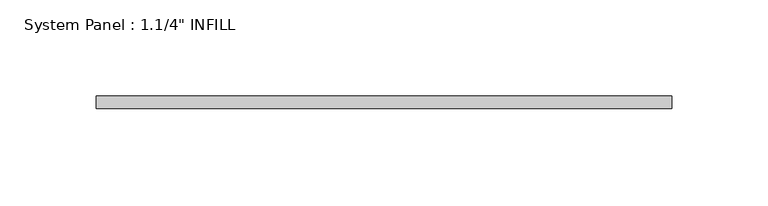
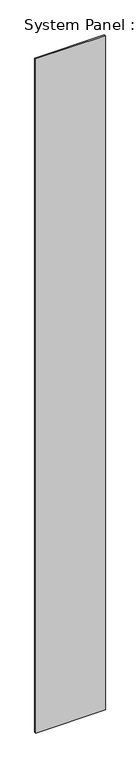
"""IFC4 building model written with IfcOpenShell, lengths in millimetres: plate geometry."""

from ifc_helpers import new_model, si_unit, origin, origin_with_axes, place, context, project, spatial, polyline, outline, extrude, source, transform, mapped, element, save


def plate_38643c75(model_context):
    return source(origin(), model_context, "Body", "SweptSolid", [
        extrude(outline(polyline([(149.225, -6.4492187), (-149.225, -6.4492187), (-149.225, -0.0992188), (149.225, -0.0992188), (149.225, -6.4492187)])), origin_with_axes(), (0.0, 0.0, 1.0), 3048.0),
    ])


if __name__ == "__main__":
    model = new_model("IFC4")
    model_context = context("Model", 3, world=origin())
    ifc_project = project(units=[si_unit("LENGTHUNIT", "METRE", prefix="MILLI")], contexts=[model_context])
    site = spatial("IfcSite", under=ifc_project)
    building = spatial("IfcBuilding", under=site)
    placement = place(None, origin())
    plate_shape = plate_38643c75(model_context)
    element("IfcPlate", 1, ObjectType="System Panel : 1.1/4\" INFILL", at=placement, inside=building, context=model_context, shape_type="MappedRepresentation", body=[
        mapped(plate_shape, transform((0.0, 0.0, 0.0), x_axis=(1.0, 0.0, 0.0), y_axis=(0.0, 1.0, 0.0), z_axis=(0.0, 0.0, 1.0))),
    ])
    save(model, "model.ifc")
